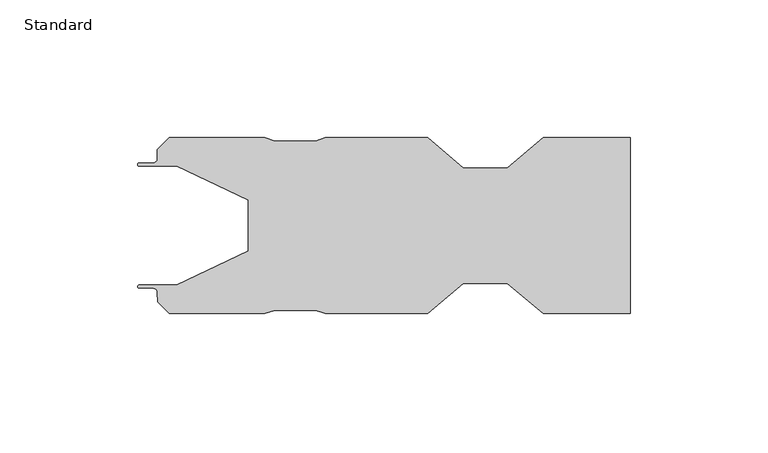
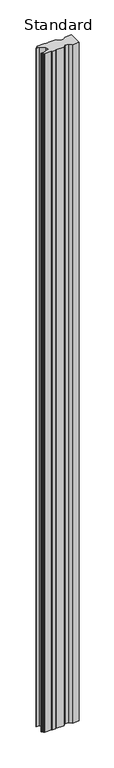
"""IFC4 building model written with IfcOpenShell, lengths in millimetres: plate geometry, Standard."""

from ifc_helpers import new_model, si_unit, point, frame_2d, origin, origin_with_axes, place, context, project, spatial, polyline, circle_curve, trimmed, segment, composite_curve, outline, extrude, source, transform, mapped, element, save


def standard_a7dac4dc(model_context):
    return source(origin(), model_context, "Body", "SweptSolid", [
        extrude(outline(composite_curve([segment(polyline([(-49.3545245, 9.3009734), (-75.164647, 21.6000018), (-88.8499879, 21.6000018)]), True, "CONTINUOUS"), segment(trimmed(circle_curve(frame_2d((-88.8499879, 22.1750138)), 0.575012), [point((-88.8499879, 21.6000018))], [point((-88.8499879, 22.7500257))], False, "CARTESIAN"), True, "CONTINUOUS"), segment(polyline([(-88.8499879, 22.7500257), (-83.8993367, 22.7500257)]), True, "CONTINUOUS"), segment(trimmed(circle_curve(frame_2d((-83.8993367, 24.4000258)), 1.6500001), [point((-83.8993367, 22.7500257))], [point((-82.2493366, 24.4000258))], True, "CARTESIAN"), True, "CONTINUOUS"), segment(polyline([(-82.2493366, 24.4000258), (-82.2493366, 27.5902281), (-77.8949474, 32.0000186), (-43.2440976, 32.0000186), (-39.7069768, 30.8000259), (-24.7494563, 30.8000259), (-21.2432183, 32.0), (15.7999931, 32.0), (28.7960716, 21.0000019), (44.7380563, 21.0000019), (57.8077499, 32.0), (89.4249998, 32.0), (89.4249998, -32.0), (57.8077499, -32.0), (44.7380563, -21.0000019), (28.7960716, -21.0000019), (15.7999931, -32.0), (-21.2432183, -32.0), (-24.7494563, -30.8000259), (-39.7069768, -30.8000259), (-43.2440976, -32.0000186), (-77.8949474, -32.0000186), (-82.0710157, -27.8239508), (-82.2493366, -24.4000259)]), True, "CONTINUOUS"), segment(trimmed(circle_curve(frame_2d((-83.9899916, -24.4906807)), 1.7430141), [point((-82.2493366, -24.4000259))], [point((-83.8993367, -22.7500257))], True, "CARTESIAN"), True, "CONTINUOUS"), segment(polyline([(-83.8993367, -22.7500257), (-88.8499879, -22.7500257)]), True, "CONTINUOUS"), segment(trimmed(circle_curve(frame_2d((-88.8499879, -22.1750138)), 0.575012), [point((-88.8499879, -22.7500257))], [point((-88.8499879, -21.6000018))], False, "CARTESIAN"), True, "CONTINUOUS"), segment(polyline([(-88.8499879, -21.6000018), (-75.164647, -21.6000018), (-49.3545245, -9.3009734), (-49.3545245, 9.3009734)]), True, "CONTINUOUS")], self_intersect=False)), origin_with_axes(), (0.0, 0.0, 1.0), 3497.7),
    ])


if __name__ == "__main__":
    model = new_model("IFC4")
    model_context = context("Model", 3, world=origin())
    ifc_project = project(units=[si_unit("LENGTHUNIT", "METRE", prefix="MILLI")], contexts=[model_context])
    site = spatial("IfcSite", under=ifc_project)
    building = spatial("IfcBuilding", under=site)
    placement = place(None, origin())
    standard_shape = standard_a7dac4dc(model_context)
    element("IfcPlate", 1, ObjectType="Standard", at=placement, inside=building, context=model_context, shape_type="MappedRepresentation", body=[
        mapped(standard_shape, transform((0.0, 0.0, 0.0), x_axis=(1.0, 0.0, 0.0), y_axis=(0.0, 1.0, 0.0), z_axis=(0.0, 0.0, 1.0))),
    ])
    save(model, "model.ifc")
